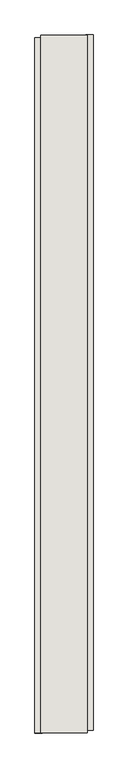
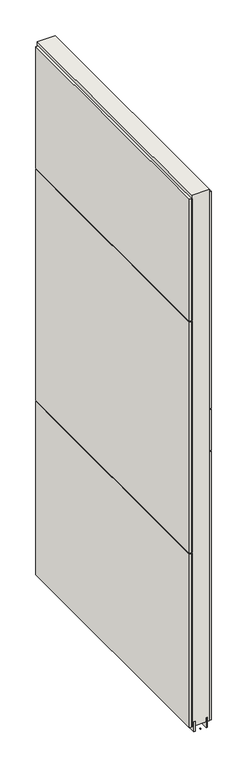
"""IFC4 building model written with IfcOpenShell, lengths in millimetres: wall geometry."""

from ifc_helpers import new_model, si_unit, frame, origin, place, context, project, spatial, polyline, outline, extrude, source, transform, mapped, element, save


def wall_815c0744(model_context):
    return source(origin(), model_context, "Body", "SweptSolid", [
        extrude(outline(polyline([(70461.542211, -55777.5553992), (70461.542211, -55775.0153992), (70464.082211, -55775.0153992), (70464.082211, -55777.5553992), (70461.542211, -55777.5553992)])), frame((0.0, 0.0, 4419.6), z_axis=(0.0, 0.0, 1.0), x_axis=(1.0, 0.0, 0.0)), (0.0, 0.0, 1.0), 2.54),
        extrude(outline(polyline([(70513.612211, -54557.8885726), (70513.612211, -55773.0885806), (70500.912211, -55773.0885806), (70500.912211, -54557.8885726), (70513.612211, -54557.8885726)])), frame((0.0, 0.0, 5945.6000722), z_axis=(0.0, 0.0, 1.0), x_axis=(1.0, 0.0, 0.0)), (0.0, 0.0, 1.0), 1044.449905),
        extrude(outline(polyline([(70513.612211, -54557.8885726), (70513.612211, -55773.0885806), (70500.912211, -55773.0885806), (70500.912211, -54557.8885726), (70513.612211, -54557.8885726)])), frame((0.0, 0.0, 5742.3999706), z_axis=(0.0, 0.0, 1.0), x_axis=(1.0, 0.0, 0.0)), (0.0, 0.0, 1.0), 199.2000512),
        extrude(outline(polyline([(70513.612211, -54557.8885726), (70513.612211, -55773.0885806), (70500.912211, -55773.0885806), (70500.912211, -54557.8885726), (70513.612211, -54557.8885726)])), frame((0.0, 0.0, 4445.0), z_axis=(0.0, 0.0, 1.0), x_axis=(1.0, 0.0, 0.0)), (0.0, 0.0, 1.0), 1293.400004),
        extrude(outline(polyline([(70412.012211, -55778.024715), (70412.012211, -54562.824707), (70424.712211, -54562.824707), (70424.712211, -55778.024715), (70412.012211, -55778.024715)])), frame((0.0, 0.0, 6402.8000722), z_axis=(0.0, 0.0, 1.0), x_axis=(1.0, 0.0, 0.0)), (0.0, 0.0, 1.0), 587.2498034),
        extrude(outline(polyline([(70412.012211, -55778.024715), (70412.012211, -54562.824707), (70424.712211, -54562.824707), (70424.712211, -55778.024715), (70412.012211, -55778.024715)])), frame((0.0, 0.0, 5285.2000722), z_axis=(0.0, 0.0, 1.0), x_axis=(1.0, 0.0, 0.0)), (0.0, 0.0, 1.0), 1113.5999572),
        extrude(outline(polyline([(70412.012211, -55778.024715), (70412.012211, -54562.824707), (70424.712211, -54562.824707), (70424.712211, -55778.024715), (70412.012211, -55778.024715)])), frame((0.0, 0.0, 4445.0), z_axis=(0.0, 0.0, 1.0), x_axis=(1.0, 0.0, 0.0)), (0.0, 0.0, 1.0), 836.200004),
        extrude(outline(polyline([(70487.8959556, -55777.5628414), (70487.8959556, -54558.3628414), (70492.974711, -54558.3628414), (70492.974711, -55777.5628414), (70487.8959556, -55777.5628414)])), frame((0.0, 0.0, 4418.6602), z_axis=(0.0, 0.0, 1.0), x_axis=(1.0, 0.0, 0.0)), (0.0, 0.0, 1.0), 47.625),
        extrude(outline(polyline([(70487.8959556, -55777.5628414), (70487.8959556, -54558.3628414), (70492.974711, -54558.3628414), (70492.974711, -55777.5628414), (70487.8959556, -55777.5628414)])), frame((0.0, 0.0, 4418.6602), z_axis=(0.0, 0.0, 1.0), x_axis=(1.0, 0.0, 0.0)), (0.0, 0.0, 1.0), 47.625),
        extrude(outline(polyline([(70437.7284664, -54558.3628414), (70437.7284664, -55777.5628414), (70432.649711, -55777.5628414), (70432.649711, -54558.3628414), (70437.7284664, -54558.3628414)])), frame((0.0, 0.0, 4418.6602), z_axis=(0.0, 0.0, 1.0), x_axis=(1.0, 0.0, 0.0)), (0.0, 0.0, 1.0), 47.625),
        extrude(outline(polyline([(70437.7284664, -54558.3628414), (70437.7284664, -55777.5628414), (70432.649711, -55777.5628414), (70432.649711, -54558.3628414), (70437.7284664, -54558.3628414)])), frame((0.0, 0.0, 4418.6602), z_axis=(0.0, 0.0, 1.0), x_axis=(1.0, 0.0, 0.0)), (0.0, 0.0, 1.0), 47.625),
        extrude(outline(polyline([(70503.4670954, -55777.5628414), (70422.1573266, -55777.5628414), (70422.1573266, -54558.3628414), (70503.4670954, -54558.3628414), (70503.4670954, -55777.5628414)])), frame((0.0, 0.0, 4445.0), z_axis=(0.0, 0.0, 1.0), x_axis=(1.0, 0.0, 0.0)), (0.0, 0.0, 1.0), 2562.4536762),
    ])


if __name__ == "__main__":
    model = new_model("IFC4")
    model_context = context("Model", 3, world=origin())
    ifc_project = project(units=[si_unit("LENGTHUNIT", "METRE", prefix="MILLI")], contexts=[model_context])
    site = spatial("IfcSite", under=ifc_project)
    building = spatial("IfcBuilding", under=site)
    placement = place(None, origin())
    wall_shape = wall_815c0744(model_context)
    element("IfcWall", 1, at=placement, inside=building, context=model_context, shape_type="MappedRepresentation", body=[
        mapped(wall_shape, transform((0.0, 0.0, 0.0), x_axis=(1.0, 0.0, 0.0), y_axis=(0.0, 1.0, 0.0), z_axis=(0.0, 0.0, 1.0))),
    ])
    save(model, "model.ifc")
